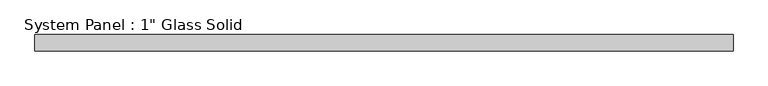
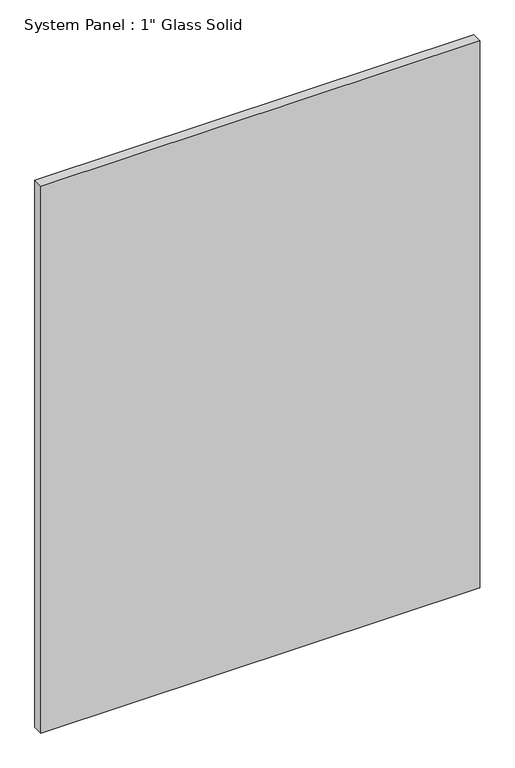
"""IFC4 building model written with IfcOpenShell, lengths in millimetres: plate geometry."""

from ifc_helpers import new_model, si_unit, origin, origin_with_axes, place, context, project, spatial, polyline, outline, extrude, source, transform, mapped, element, save


def plate_b64d8456(model_context):
    return source(origin(), model_context, "Body", "SweptSolid", [
        extrude(outline(polyline([(543.9345691, -12.7), (-543.9345691, -12.7), (-543.9345691, 12.7), (543.9345691, 12.7), (543.9345691, -12.7)])), origin_with_axes(), (0.0, 0.0, 1.0), 1433.8317704),
    ])


if __name__ == "__main__":
    model = new_model("IFC4")
    model_context = context("Model", 3, world=origin())
    ifc_project = project(units=[si_unit("LENGTHUNIT", "METRE", prefix="MILLI")], contexts=[model_context])
    site = spatial("IfcSite", under=ifc_project)
    building = spatial("IfcBuilding", under=site)
    placement = place(None, origin())
    plate_shape = plate_b64d8456(model_context)
    element("IfcPlate", 1, ObjectType="System Panel : 1\" Glass Solid", at=placement, inside=building, context=model_context, shape_type="MappedRepresentation", body=[
        mapped(plate_shape, transform((0.0, 0.0, 0.0), x_axis=(1.0, 0.0, 0.0), y_axis=(0.0, 1.0, 0.0), z_axis=(0.0, 0.0, 1.0))),
    ])
    save(model, "model.ifc")
